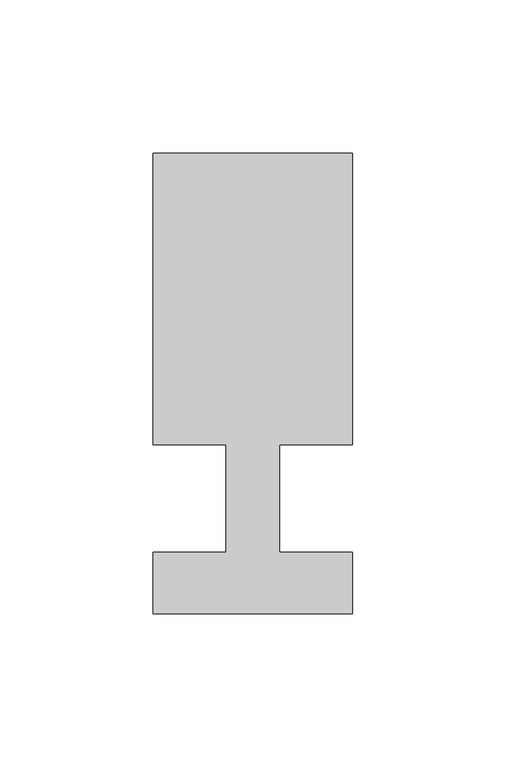
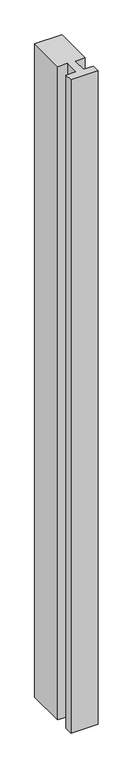
"""IFC4 building model written with IfcOpenShell, lengths in millimetres: member geometry."""

from ifc_helpers import new_model, si_unit, frame, origin, place, context, project, spatial, polyline, outline, extrude, source, transform, mapped, element, save


def member_df701d72(model_context):
    return source(origin(), model_context, "Body", "SweptSolid", [
        extrude(outline(polyline([(-65.0, -37.0), (-65.0, -17.0), (-41.1875, -17.0), (-41.1875, 18.0), (-65.0, 18.0), (-65.0, 113.0), (0.0, 113.0), (0.0, 18.0), (-23.8125, 18.0), (-23.8125, -17.0), (0.0, -17.0), (0.0, -37.0), (-65.0, -37.0)])), frame((0.0, 0.0, -1650.0), z_axis=(0.0, 0.0, 1.0), x_axis=(1.0, 0.0, 0.0)), (0.0, 0.0, 1.0), 1650.0),
    ])


if __name__ == "__main__":
    model = new_model("IFC4")
    model_context = context("Model", 3, world=origin())
    ifc_project = project(units=[si_unit("LENGTHUNIT", "METRE", prefix="MILLI")], contexts=[model_context])
    site = spatial("IfcSite", under=ifc_project)
    building = spatial("IfcBuilding", under=site)
    placement = place(None, origin())
    member_shape = member_df701d72(model_context)
    element("IfcMember", 1, at=placement, inside=building, context=model_context, shape_type="MappedRepresentation", body=[
        mapped(member_shape, transform((0.0, 0.0, 0.0), x_axis=(1.0, 0.0, 0.0), y_axis=(0.0, 1.0, 0.0), z_axis=(0.0, 0.0, 1.0))),
    ])
    save(model, "model.ifc")
